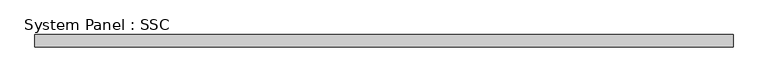
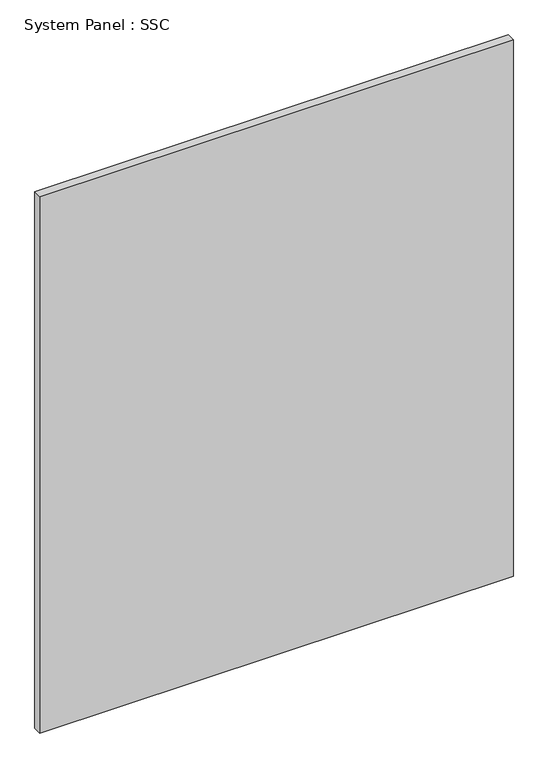
"""IFC4 building model written with IfcOpenShell, lengths in millimetres: plate geometry, System Panel : SSC."""

from ifc_helpers import new_model, si_unit, origin, origin_with_axes, place, context, project, spatial, polyline, outline, extrude, source, transform, mapped, element, save


def system_panel_ssc_d32b9d8c(model_context):
    return source(origin(), model_context, "Body", "SweptSolid", [
        extrude(outline(polyline([(729.45625, -12.7), (-729.45625, -12.7), (-729.45625, 12.7), (729.45625, 12.7), (729.45625, -12.7)])), origin_with_axes(), (0.0, 0.0, 1.0), 1746.25),
    ])


if __name__ == "__main__":
    model = new_model("IFC4")
    model_context = context("Model", 3, world=origin())
    ifc_project = project(units=[si_unit("LENGTHUNIT", "METRE", prefix="MILLI")], contexts=[model_context])
    site = spatial("IfcSite", under=ifc_project)
    building = spatial("IfcBuilding", under=site)
    placement = place(None, origin())
    system_panel_ssc_shape = system_panel_ssc_d32b9d8c(model_context)
    element("IfcPlate", 1, ObjectType="System Panel : SSC", at=placement, inside=building, context=model_context, shape_type="MappedRepresentation", body=[
        mapped(system_panel_ssc_shape, transform((0.0, 0.0, 0.0), x_axis=(1.0, 0.0, 0.0), y_axis=(0.0, 1.0, 0.0), z_axis=(0.0, 0.0, 1.0))),
    ])
    save(model, "model.ifc")
